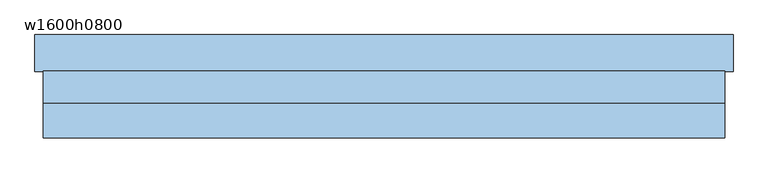
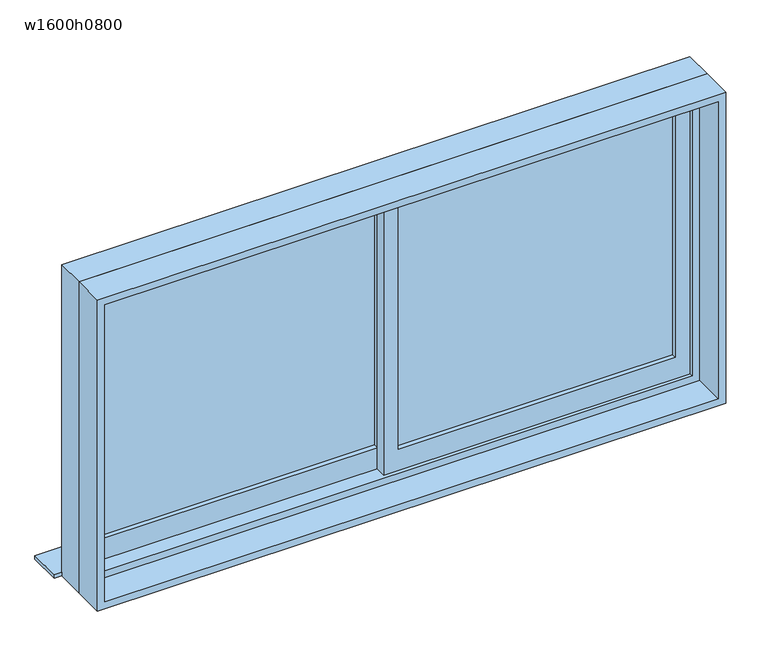
"""IFC4 building model written with IfcOpenShell, lengths in millimetres: window geometry, w1600h0800."""

from ifc_helpers import new_model, si_unit, frame, origin, place, context, project, spatial, polyline, outline, extrude, source, transform, mapped, element, save


def w1600h0800_04d1ed0c(model_context):
    return source(origin(), model_context, "Body", "SweptSolid", [
        extrude(outline(polyline([(-20.0, 12.5), (-760.0, 12.5), (-760.0, 17.5), (-20.0, 17.5), (-20.0, 12.5)])), frame((0.0, 0.0, 1260.0), z_axis=(0.0, 0.0, 1.0), x_axis=(1.0, 0.0, 0.0)), (0.0, 0.0, 1.0), 700.0),
        extrude(outline(polyline([(760.0, -17.5), (20.0, -17.5), (20.0, -12.5), (760.0, -12.5), (760.0, -17.5)])), frame((0.0, 0.0, 1260.0), z_axis=(0.0, 0.0, 1.0), x_axis=(1.0, 0.0, 0.0)), (0.0, 0.0, 1.0), 700.0),
        extrude(outline(polyline([(2000.0, -20.0), (1200.0, -20.0), (1200.0, 800.0), (2000.0, 800.0), (2000.0, -20.0)]), holes=[polyline([(1260.0, 760.0), (1260.0, 20.0), (1960.0, 20.0), (1960.0, 760.0), (1260.0, 760.0)])]), frame((0.0, -30.0, 0.0), z_axis=(0.0, 1.0, 0.0), x_axis=(0.0, 0.0, 1.0)), (0.0, 0.0, 1.0), 30.0),
        extrude(outline(polyline([(2000.0, -800.0), (1200.0, -800.0), (1200.0, 20.0), (2000.0, 20.0), (2000.0, -800.0)]), holes=[polyline([(1260.0, -20.0), (1260.0, -760.0), (1960.0, -760.0), (1960.0, -20.0), (1260.0, -20.0)])]), frame((0.0, 0.0, 0.0), z_axis=(0.0, 1.0, 0.0), x_axis=(0.0, 0.0, 1.0)), (0.0, 0.0, 1.0), 30.0),
        extrude(outline(polyline([(860.0, 130.0), (860.0, 40.0), (-860.0, 40.0), (-860.0, 130.0), (860.0, 130.0)])), frame((0.0, 0.0, 1160.0), z_axis=(0.0, 0.0, 1.0), x_axis=(1.0, 0.0, 0.0)), (0.0, 0.0, 1.0), 10.0),
        extrude(outline(polyline([(2040.0, 840.0), (2040.0, -840.0), (1160.0, -840.0), (1160.0, 840.0), (2040.0, 840.0)]), holes=[polyline([(1180.0, -820.0), (2020.0, -820.0), (2020.0, 820.0), (1180.0, 820.0), (1180.0, -820.0)])]), frame((0.0, -125.0, 0.0), z_axis=(0.0, 1.0, 0.0), x_axis=(0.0, 0.0, 1.0)), (0.0, 0.0, 1.0), 85.0),
        extrude(outline(polyline([(2040.0, -840.0), (1160.0, -840.0), (1160.0, 840.0), (2040.0, 840.0), (2040.0, -840.0)]), holes=[polyline([(2000.0, 800.0), (1200.0, 800.0), (1200.0, -800.0), (2000.0, -800.0), (2000.0, 800.0)])]), frame((0.0, -40.0, 0.0), z_axis=(0.0, 1.0, 0.0), x_axis=(0.0, 0.0, 1.0)), (0.0, 0.0, 1.0), 80.0),
    ])


if __name__ == "__main__":
    model = new_model("IFC4")
    model_context = context("Model", 3, world=origin())
    ifc_project = project(units=[si_unit("LENGTHUNIT", "METRE", prefix="MILLI")], contexts=[model_context])
    site = spatial("IfcSite", under=ifc_project)
    building = spatial("IfcBuilding", under=site)
    placement = place(None, origin())
    w1600h0800_shape = w1600h0800_04d1ed0c(model_context)
    element("IfcWindow", 1, ObjectType="w1600h0800", at=placement, inside=building, context=model_context, shape_type="MappedRepresentation", body=[
        mapped(w1600h0800_shape, transform((0.0, 0.0, 0.0), x_axis=(1.0, 0.0, 0.0), y_axis=(0.0, 1.0, 0.0), z_axis=(0.0, 0.0, 1.0))),
    ])
    save(model, "model.ifc")
